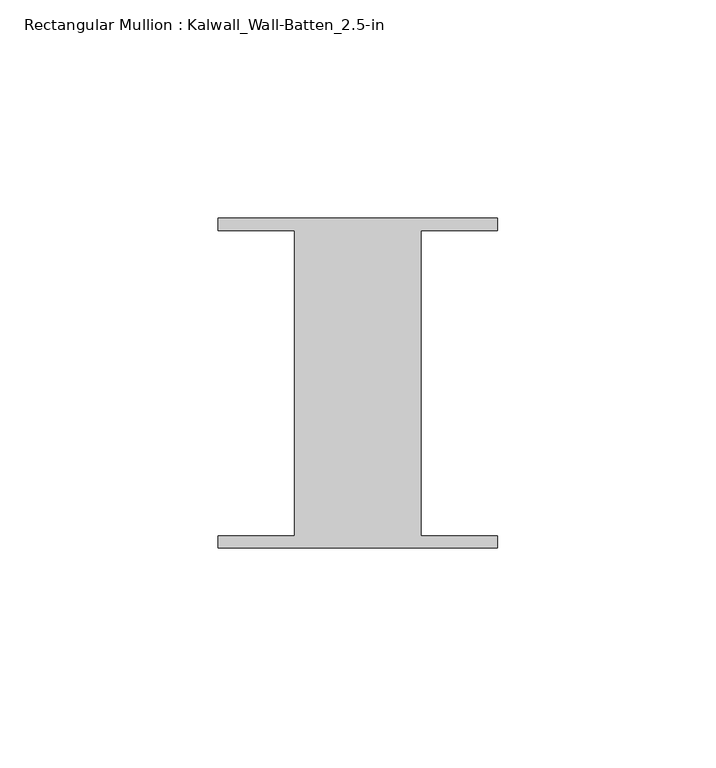
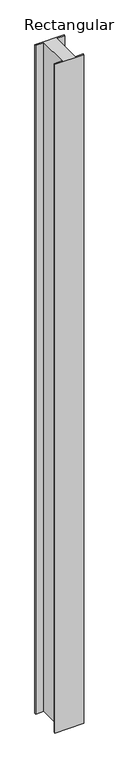
"""IFC4 building model written with IfcOpenShell, lengths in millimetres: member geometry, Rectangular Mullion : Kalwall_Wall-Batten_2.5-in."""

from ifc_helpers import new_model, si_unit, frame, origin, place, context, project, spatial, polyline, outline, extrude, source, transform, mapped, element, save


def rectangular_mullion_kalwall_wall_batten_2_5_in_8a6e0a26(model_context):
    return source(origin(), model_context, "Body", "SweptSolid", [
        extrude(outline(polyline([(-32.0, -36.524), (-32.0, -33.73), (-14.5, -33.73), (-14.5, 36.27), (-32.0, 36.27), (-32.0, 39.064), (32.0, 39.064), (32.0, 36.27), (14.5, 36.27), (14.5, -33.73), (32.0, -33.73), (32.0, -36.524), (-32.0, -36.524)])), frame((0.0, 0.0, -1552.956), z_axis=(0.0, 0.0, 1.0), x_axis=(1.0, 0.0, 0.0)), (0.0, 0.0, 1.0), 1552.956),
    ])


if __name__ == "__main__":
    model = new_model("IFC4")
    model_context = context("Model", 3, world=origin())
    ifc_project = project(units=[si_unit("LENGTHUNIT", "METRE", prefix="MILLI")], contexts=[model_context])
    site = spatial("IfcSite", under=ifc_project)
    building = spatial("IfcBuilding", under=site)
    placement = place(None, origin())
    rectangular_mullion_kalwall_wall_batten_2_5_in_shape = rectangular_mullion_kalwall_wall_batten_2_5_in_8a6e0a26(model_context)
    element("IfcMember", 1, ObjectType="Rectangular Mullion : Kalwall_Wall-Batten_2.5-in", at=placement, inside=building, context=model_context, shape_type="MappedRepresentation", body=[
        mapped(rectangular_mullion_kalwall_wall_batten_2_5_in_shape, transform((0.0, 0.0, 0.0), x_axis=(1.0, 0.0, 0.0), y_axis=(0.0, 1.0, 0.0), z_axis=(0.0, 0.0, 1.0))),
    ])
    save(model, "model.ifc")
